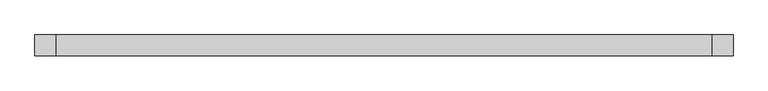
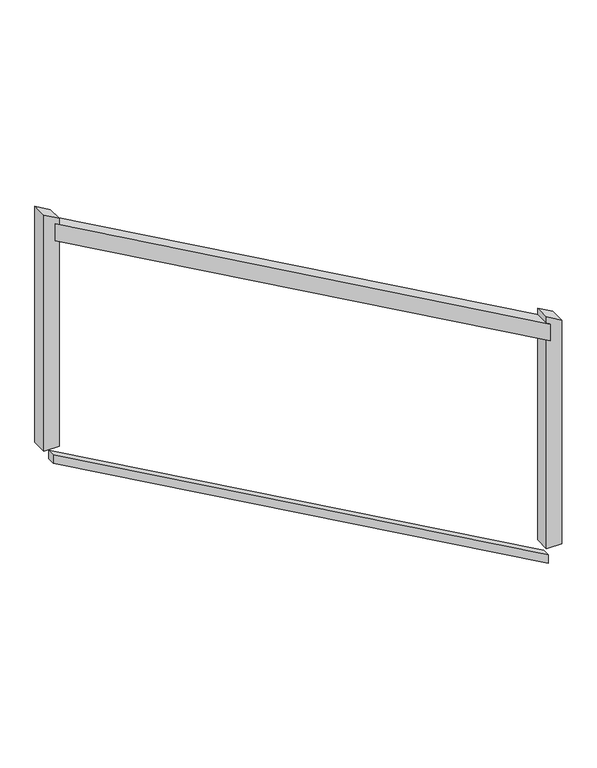
"""IFC4 building model written with IfcOpenShell, lengths in millimetres: railing geometry."""

from ifc_helpers import new_model, si_unit, frame, origin, place, context, project, spatial, polyline, outline, extrude, source, transform, mapped, element, save


def railing_5c6fc751(model_context):
    return source(origin(), model_context, "Body", "SweptSolid", [
        extrude(outline(polyline([(1290.039043, -18278.6629276), (1348.360957, -18278.6629276), (2268.760957, -19910.6629276), (2210.439043, -19910.6629276), (1290.039043, -18278.6629276)])), frame((0.0, 121055.2306038, 0.0), z_axis=(0.0, 1.0, 0.0), x_axis=(0.0, 0.0, 1.0)), (0.0, 0.0, 1.0), 50.8),
        extrude(outline(polyline([(507.0195215, -18278.6629276), (536.1804785, -18278.6629276), (1456.5804785, -19910.6629276), (1427.4195215, -19910.6629276), (507.0195215, -18278.6629276)])), frame((0.0, 121067.9306038, 0.0), z_axis=(0.0, 1.0, 0.0), x_axis=(0.0, 0.0, 1.0)), (0.0, 0.0, 1.0), 25.4),
        extrude(outline(polyline([(2283.3375735, -19897.9629276), (2311.9872794, -19948.7629276), (1489.6, -19948.7629276), (1489.6, -19897.9629276), (2283.3375735, -19897.9629276)])), frame((0.0, 121055.2306038, 0.0), z_axis=(0.0, 1.0, 0.0), x_axis=(0.0, 0.0, 1.0)), (0.0, 0.0, 1.0), 50.8),
        extrude(outline(polyline([(1348.6127206, -18240.5629276), (1377.2624265, -18291.3629276), (569.2, -18291.3629276), (569.2, -18240.5629276), (1348.6127206, -18240.5629276)])), frame((0.0, 121055.2306038, 0.0), z_axis=(0.0, 1.0, 0.0), x_axis=(0.0, 0.0, 1.0)), (0.0, 0.0, 1.0), 50.8),
    ])


if __name__ == "__main__":
    model = new_model("IFC4")
    model_context = context("Model", 3, world=origin())
    ifc_project = project(units=[si_unit("LENGTHUNIT", "METRE", prefix="MILLI")], contexts=[model_context])
    site = spatial("IfcSite", under=ifc_project)
    building = spatial("IfcBuilding", under=site)
    placement = place(None, origin())
    railing_shape = railing_5c6fc751(model_context)
    element("IfcRailing", 1, at=placement, inside=building, context=model_context, shape_type="MappedRepresentation", body=[
        mapped(railing_shape, transform((0.0, 0.0, 0.0), x_axis=(1.0, 0.0, 0.0), y_axis=(0.0, 1.0, 0.0), z_axis=(0.0, 0.0, 1.0))),
    ])
    save(model, "model.ifc")
